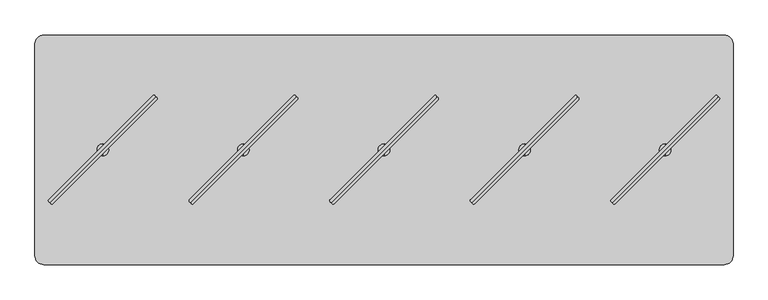
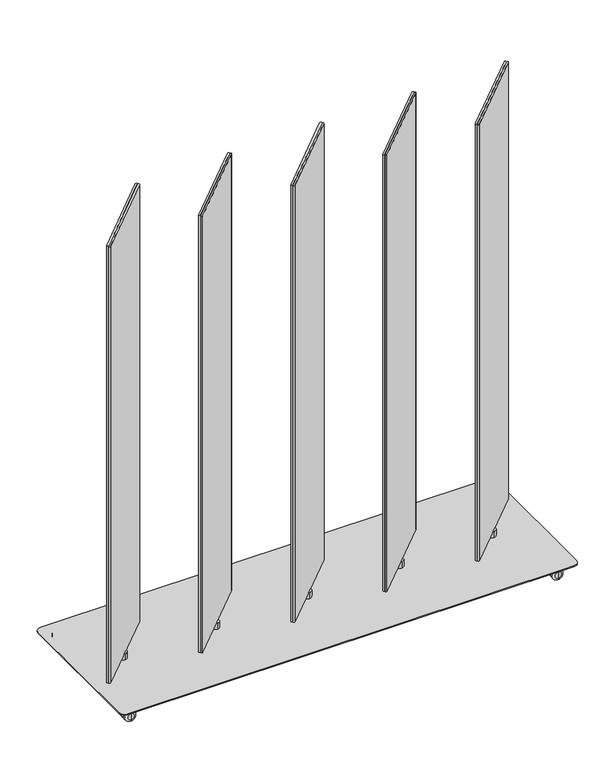
"""IFC4 building model written with IfcOpenShell, lengths in millimetres: furniture geometry."""

from ifc_helpers import new_model, si_unit, point, frame, frame_2d, origin, place, context, project, spatial, polyline, circle_curve, ellipse_curve, trimmed, segment, composite_curve, outline, extrude, source, transform, mapped, element, save
from ifc_brep_helpers import plane_surface, cylinder_surface, revolved_surface, advanced_brep


def furniture_4d3f92b0(model_context):
    return source(origin(), model_context, "Body", "SolidModel", [
        extrude(outline(composite_curve([segment(trimmed(circle_curve(frame_2d((486.9461154, -180.9165485)), 3.0144975), [point((489.0781344, -183.0476726))], [point((484.81456, -178.7849606))], False, "CARTESIAN"), True, "CONTINUOUS"), segment(polyline([(484.81456, -178.7849606), (706.8263161, 43.2234083)]), True, "CONTINUOUS"), segment(trimmed(circle_curve(frame_2d((708.8820345, 41.0642596)), 2.9812584), [point((706.8263161, 43.2234083))], [point((711.0420147, 39.0094149))], False, "CARTESIAN"), True, "CONTINUOUS"), segment(polyline([(711.0420147, 39.0094149), (489.0781344, -183.0476726)]), True, "CONTINUOUS")], self_intersect=False)), frame((0.0, 0.0, 80.7339983), z_axis=(0.0, 0.0, 1.0), x_axis=(1.0, 0.0, 0.0)), (0.0, 0.0, 1.0), 1500.124),
        extrude(outline(composite_curve([segment(polyline([(489.0388267, -183.0083649), (711.0959142, 38.9555155)]), True, "CONTINUOUS"), segment(trimmed(circle_curve(frame_2d((713.1507589, 36.7955352)), 2.9812584), [point((711.0959142, 38.9555155))], [point((715.3099076, 34.7398168))], False, "CARTESIAN"), True, "CONTINUOUS"), segment(polyline([(715.3099076, 34.7398168), (493.3015387, -187.2719392)]), True, "CONTINUOUS"), segment(trimmed(circle_curve(frame_2d((491.1699508, -185.1403839)), 3.0144975), [point((493.3015387, -187.2719392))], [point((489.0388267, -183.0083649))], False, "CARTESIAN"), True, "CONTINUOUS")], self_intersect=False)), frame((0.0, 0.0, 80.7339983), z_axis=(0.0, 0.0, 1.0), x_axis=(1.0, 0.0, 0.0)), (0.0, 0.0, 1.0), 1500.124),
        advanced_brep(
        [(599.9988, -84.5709522, 80.7339983), (599.9988, -59.5748171, 80.7339983), (599.9988, -59.5748171, 59.9975986), (599.9988, -84.5709522, 59.9975986), (599.9988, -72.0728847, 80.7339983), (599.9988, -72.0728847, 59.9975986)],
        [
            (0, 1, circle_curve(frame((599.9988, -72.0728847, 80.7339983), z_axis=(0.0, 0.0, -1.0), x_axis=(0.0, 1.0, 0.0)), 12.4980675)),
            (1, 2),
            (2, 3, circle_curve(frame((599.9988, -72.0728847, 59.9975986), z_axis=(0.0, 0.0, 1.0), x_axis=(0.0, 1.0, 0.0)), 12.4980675)),
            (3, 0),
            (4, 1),
            (0, 4),
            (0, 1, circle_curve(frame((599.9988, -72.0728847, 80.7339983), z_axis=(0.0, 0.0, 1.0), x_axis=(0.0, 1.0, 0.0)), 12.4980675)),
            (2, 5),
            (5, 3),
            (2, 3, circle_curve(frame((599.9988, -72.0728847, 59.9975986), z_axis=(0.0, 0.0, -1.0), x_axis=(0.0, 1.0, 0.0)), 12.4980675)),
        ],
        [
            cylinder_surface(frame((599.9988, -72.0728847, 88.2747758), z_axis=(0.0, 0.0, 1.0), x_axis=(0.0, 1.0, 0.0)), 12.4980675),
            plane_surface(frame((599.9988, -72.0728847, 80.7339983), z_axis=(0.0, 0.0, 1.0), x_axis=(0.0, 1.0, 0.0))),
            plane_surface(frame((599.9988, -72.0728847, 59.9975986), z_axis=(0.0, 0.0, -1.0), x_axis=(0.0, 1.0, 0.0))),
        ],
        [
            (0, [[1, 2, 3, 4]]),
            (1, [[5, -1, 6]]),
            (1, [[-6, 7, -5]]),
            (2, [[-3, 8, 9]]),
            (2, [[10, -9, -8]]),
            (0, [[-7, -4, -10, -2]]),
        ],
    ),
        extrude(outline(composite_curve([segment(trimmed(circle_curve(frame_2d((186.9467154, -180.9165485)), 3.0144975), [point((189.0787344, -183.0476726))], [point((184.81516, -178.7849606))], False, "CARTESIAN"), True, "CONTINUOUS"), segment(polyline([(184.81516, -178.7849606), (406.8269161, 43.2234083)]), True, "CONTINUOUS"), segment(trimmed(circle_curve(frame_2d((408.8826345, 41.0642596)), 2.9812584), [point((406.8269161, 43.2234083))], [point((411.0426147, 39.0094149))], False, "CARTESIAN"), True, "CONTINUOUS"), segment(polyline([(411.0426147, 39.0094149), (189.0787344, -183.0476726)]), True, "CONTINUOUS")], self_intersect=False)), frame((0.0, 0.0, 80.7339983), z_axis=(0.0, 0.0, 1.0), x_axis=(1.0, 0.0, 0.0)), (0.0, 0.0, 1.0), 1500.124),
        extrude(outline(composite_curve([segment(polyline([(189.0394267, -183.0083649), (411.0965142, 38.9555155)]), True, "CONTINUOUS"), segment(trimmed(circle_curve(frame_2d((413.1513589, 36.7955352)), 2.9812584), [point((411.0965142, 38.9555155))], [point((415.3105076, 34.7398168))], False, "CARTESIAN"), True, "CONTINUOUS"), segment(polyline([(415.3105076, 34.7398168), (193.3021387, -187.2719392)]), True, "CONTINUOUS"), segment(trimmed(circle_curve(frame_2d((191.1705508, -185.1403839)), 3.0144975), [point((193.3021387, -187.2719392))], [point((189.0394267, -183.0083649))], False, "CARTESIAN"), True, "CONTINUOUS")], self_intersect=False)), frame((0.0, 0.0, 80.7339983), z_axis=(0.0, 0.0, 1.0), x_axis=(1.0, 0.0, 0.0)), (0.0, 0.0, 1.0), 1500.124),
        advanced_brep(
        [(299.9994, -84.5709522, 80.7339983), (299.9994, -59.5748171, 80.7339983), (299.9994, -59.5748171, 59.9975986), (299.9994, -84.5709522, 59.9975986), (299.9994, -72.0728847, 80.7339983), (299.9994, -72.0728847, 59.9975986)],
        [
            (0, 1, circle_curve(frame((299.9994, -72.0728847, 80.7339983), z_axis=(0.0, 0.0, -1.0), x_axis=(0.0, 1.0, 0.0)), 12.4980675)),
            (1, 2),
            (2, 3, circle_curve(frame((299.9994, -72.0728847, 59.9975986), z_axis=(0.0, 0.0, 1.0), x_axis=(0.0, 1.0, 0.0)), 12.4980675)),
            (3, 0),
            (4, 1),
            (0, 4),
            (0, 1, circle_curve(frame((299.9994, -72.0728847, 80.7339983), z_axis=(0.0, 0.0, 1.0), x_axis=(0.0, 1.0, 0.0)), 12.4980675)),
            (2, 5),
            (5, 3),
            (2, 3, circle_curve(frame((299.9994, -72.0728847, 59.9975986), z_axis=(0.0, 0.0, -1.0), x_axis=(0.0, 1.0, 0.0)), 12.4980675)),
        ],
        [
            cylinder_surface(frame((299.9994, -72.0728847, 88.2747758), z_axis=(0.0, 0.0, 1.0), x_axis=(0.0, 1.0, 0.0)), 12.4980675),
            plane_surface(frame((299.9994, -72.0728847, 80.7339983), z_axis=(0.0, 0.0, 1.0), x_axis=(0.0, 1.0, 0.0))),
            plane_surface(frame((299.9994, -72.0728847, 59.9975986), z_axis=(0.0, 0.0, -1.0), x_axis=(0.0, 1.0, 0.0))),
        ],
        [
            (0, [[1, 2, 3, 4]]),
            (1, [[5, -1, 6]]),
            (1, [[-6, 7, -5]]),
            (2, [[-3, 8, 9]]),
            (2, [[10, -9, -8]]),
            (0, [[-7, -4, -10, -2]]),
        ],
    ),
        extrude(outline(composite_curve([segment(trimmed(circle_curve(frame_2d((-113.0526846, -180.9165485)), 3.0144975), [point((-110.9206656, -183.0476726))], [point((-115.18424, -178.7849606))], False, "CARTESIAN"), True, "CONTINUOUS"), segment(polyline([(-115.18424, -178.7849606), (106.8275161, 43.2234083)]), True, "CONTINUOUS"), segment(trimmed(circle_curve(frame_2d((108.8832345, 41.0642596)), 2.9812584), [point((106.8275161, 43.2234083))], [point((111.0432147, 39.0094149))], False, "CARTESIAN"), True, "CONTINUOUS"), segment(polyline([(111.0432147, 39.0094149), (-110.9206656, -183.0476726)]), True, "CONTINUOUS")], self_intersect=False)), frame((0.0, 0.0, 80.7339983), z_axis=(0.0, 0.0, 1.0), x_axis=(1.0, 0.0, 0.0)), (0.0, 0.0, 1.0), 1500.124),
        extrude(outline(composite_curve([segment(polyline([(-110.9599733, -183.0083649), (111.0971142, 38.9555155)]), True, "CONTINUOUS"), segment(trimmed(circle_curve(frame_2d((113.1519589, 36.7955352)), 2.9812584), [point((111.0971142, 38.9555155))], [point((115.3111076, 34.7398168))], False, "CARTESIAN"), True, "CONTINUOUS"), segment(polyline([(115.3111076, 34.7398168), (-106.6972613, -187.2719392)]), True, "CONTINUOUS"), segment(trimmed(circle_curve(frame_2d((-108.8288492, -185.1403839)), 3.0144975), [point((-106.6972613, -187.2719392))], [point((-110.9599733, -183.0083649))], False, "CARTESIAN"), True, "CONTINUOUS")], self_intersect=False)), frame((0.0, 0.0, 80.7339983), z_axis=(0.0, 0.0, 1.0), x_axis=(1.0, 0.0, 0.0)), (0.0, 0.0, 1.0), 1500.124),
        advanced_brep(
        [(0.0, -84.5709522, 80.7339983), (0.0, -59.5748171, 80.7339983), (0.0, -59.5748171, 59.9975986), (0.0, -84.5709522, 59.9975986), (0.0, -72.0728847, 80.7339983), (0.0, -72.0728847, 59.9975986)],
        [
            (0, 1, circle_curve(frame((0.0, -72.0728847, 80.7339983), z_axis=(0.0, 0.0, -1.0), x_axis=(0.0, 1.0, 0.0)), 12.4980675)),
            (1, 2),
            (2, 3, circle_curve(frame((0.0, -72.0728847, 59.9975986), z_axis=(0.0, 0.0, 1.0), x_axis=(0.0, 1.0, 0.0)), 12.4980675)),
            (3, 0),
            (4, 1),
            (0, 4),
            (0, 1, circle_curve(frame((0.0, -72.0728847, 80.7339983), z_axis=(0.0, 0.0, 1.0), x_axis=(0.0, 1.0, 0.0)), 12.4980675)),
            (2, 5),
            (5, 3),
            (2, 3, circle_curve(frame((0.0, -72.0728847, 59.9975986), z_axis=(0.0, 0.0, -1.0), x_axis=(0.0, 1.0, 0.0)), 12.4980675)),
        ],
        [
            cylinder_surface(frame((0.0, -72.0728847, 88.2747758), z_axis=(0.0, 0.0, 1.0), x_axis=(0.0, 1.0, 0.0)), 12.4980675),
            plane_surface(frame((0.0, -72.0728847, 80.7339983), z_axis=(0.0, 0.0, 1.0), x_axis=(0.0, 1.0, 0.0))),
            plane_surface(frame((0.0, -72.0728847, 59.9975986), z_axis=(0.0, 0.0, -1.0), x_axis=(0.0, 1.0, 0.0))),
        ],
        [
            (0, [[1, 2, 3, 4]]),
            (1, [[5, -1, 6]]),
            (1, [[-6, 7, -5]]),
            (2, [[-3, 8, 9]]),
            (2, [[10, -9, -8]]),
            (0, [[-7, -4, -10, -2]]),
        ],
    ),
        extrude(outline(composite_curve([segment(trimmed(circle_curve(frame_2d((-413.0520846, -180.9165485)), 3.0144975), [point((-410.9200656, -183.0476726))], [point((-415.18364, -178.7849606))], False, "CARTESIAN"), True, "CONTINUOUS"), segment(polyline([(-415.18364, -178.7849606), (-193.1718839, 43.2234083)]), True, "CONTINUOUS"), segment(trimmed(circle_curve(frame_2d((-191.1161655, 41.0642596)), 2.9812584), [point((-193.1718839, 43.2234083))], [point((-188.9561853, 39.0094149))], False, "CARTESIAN"), True, "CONTINUOUS"), segment(polyline([(-188.9561853, 39.0094149), (-410.9200656, -183.0476726)]), True, "CONTINUOUS")], self_intersect=False)), frame((0.0, 0.0, 80.7339983), z_axis=(0.0, 0.0, 1.0), x_axis=(1.0, 0.0, 0.0)), (0.0, 0.0, 1.0), 1500.124),
        extrude(outline(composite_curve([segment(polyline([(-410.9593733, -183.0083649), (-188.9022858, 38.9555155)]), True, "CONTINUOUS"), segment(trimmed(circle_curve(frame_2d((-186.8474411, 36.7955352)), 2.9812584), [point((-188.9022858, 38.9555155))], [point((-184.6882924, 34.7398168))], False, "CARTESIAN"), True, "CONTINUOUS"), segment(polyline([(-184.6882924, 34.7398168), (-406.6966613, -187.2719392)]), True, "CONTINUOUS"), segment(trimmed(circle_curve(frame_2d((-408.8282492, -185.1403839)), 3.0144975), [point((-406.6966613, -187.2719392))], [point((-410.9593733, -183.0083649))], False, "CARTESIAN"), True, "CONTINUOUS")], self_intersect=False)), frame((0.0, 0.0, 80.7339983), z_axis=(0.0, 0.0, 1.0), x_axis=(1.0, 0.0, 0.0)), (0.0, 0.0, 1.0), 1500.124),
        advanced_brep(
        [(-299.9994, -84.5709522, 80.7339983), (-299.9994, -59.5748171, 80.7339983), (-299.9994, -59.5748171, 59.9975986), (-299.9994, -84.5709522, 59.9975986), (-299.9994, -72.0728847, 80.7339983), (-299.9994, -72.0728847, 59.9975986)],
        [
            (0, 1, circle_curve(frame((-299.9994, -72.0728847, 80.7339983), z_axis=(0.0, 0.0, -1.0), x_axis=(0.0, 1.0, 0.0)), 12.4980675)),
            (1, 2),
            (2, 3, circle_curve(frame((-299.9994, -72.0728847, 59.9975986), z_axis=(0.0, 0.0, 1.0), x_axis=(0.0, 1.0, 0.0)), 12.4980675)),
            (3, 0),
            (4, 1),
            (0, 4),
            (0, 1, circle_curve(frame((-299.9994, -72.0728847, 80.7339983), z_axis=(0.0, 0.0, 1.0), x_axis=(0.0, 1.0, 0.0)), 12.4980675)),
            (2, 5),
            (5, 3),
            (2, 3, circle_curve(frame((-299.9994, -72.0728847, 59.9975986), z_axis=(0.0, 0.0, -1.0), x_axis=(0.0, 1.0, 0.0)), 12.4980675)),
        ],
        [
            cylinder_surface(frame((-299.9994, -72.0728847, 88.2747758), z_axis=(0.0, 0.0, 1.0), x_axis=(0.0, 1.0, 0.0)), 12.4980675),
            plane_surface(frame((-299.9994, -72.0728847, 80.7339983), z_axis=(0.0, 0.0, 1.0), x_axis=(0.0, 1.0, 0.0))),
            plane_surface(frame((-299.9994, -72.0728847, 59.9975986), z_axis=(0.0, 0.0, -1.0), x_axis=(0.0, 1.0, 0.0))),
        ],
        [
            (0, [[1, 2, 3, 4]]),
            (1, [[5, -1, 6]]),
            (1, [[-6, 7, -5]]),
            (2, [[-3, 8, 9]]),
            (2, [[10, -9, -8]]),
            (0, [[-7, -4, -10, -2]]),
        ],
    ),
        extrude(outline(composite_curve([segment(trimmed(circle_curve(frame_2d((-713.0514846, -180.9165485)), 3.0144975), [point((-710.9194656, -183.0476726))], [point((-715.18304, -178.7849606))], False, "CARTESIAN"), True, "CONTINUOUS"), segment(polyline([(-715.18304, -178.7849606), (-493.1712839, 43.2234083)]), True, "CONTINUOUS"), segment(trimmed(circle_curve(frame_2d((-491.1155655, 41.0642596)), 2.9812584), [point((-493.1712839, 43.2234083))], [point((-488.9555853, 39.0094149))], False, "CARTESIAN"), True, "CONTINUOUS"), segment(polyline([(-488.9555853, 39.0094149), (-710.9194656, -183.0476726)]), True, "CONTINUOUS")], self_intersect=False)), frame((0.0, 0.0, 80.7339983), z_axis=(0.0, 0.0, 1.0), x_axis=(1.0, 0.0, 0.0)), (0.0, 0.0, 1.0), 1500.124),
        extrude(outline(composite_curve([segment(polyline([(-710.9587733, -183.0083649), (-488.9016858, 38.9555155)]), True, "CONTINUOUS"), segment(trimmed(circle_curve(frame_2d((-486.8468411, 36.7955352)), 2.9812584), [point((-488.9016858, 38.9555155))], [point((-484.6876924, 34.7398168))], False, "CARTESIAN"), True, "CONTINUOUS"), segment(polyline([(-484.6876924, 34.7398168), (-706.6960613, -187.2719392)]), True, "CONTINUOUS"), segment(trimmed(circle_curve(frame_2d((-708.8276492, -185.1403839)), 3.0144975), [point((-706.6960613, -187.2719392))], [point((-710.9587733, -183.0083649))], False, "CARTESIAN"), True, "CONTINUOUS")], self_intersect=False)), frame((0.0, 0.0, 80.7339983), z_axis=(0.0, 0.0, 1.0), x_axis=(1.0, 0.0, 0.0)), (0.0, 0.0, 1.0), 1500.124),
        advanced_brep(
        [(-599.9988, -84.5709522, 80.7339983), (-599.9988, -59.5748171, 80.7339983), (-599.9988, -59.5748171, 59.9975986), (-599.9988, -84.5709522, 59.9975986), (-599.9988, -72.0728847, 80.7339983), (-599.9988, -72.0728847, 59.9975986)],
        [
            (0, 1, circle_curve(frame((-599.9988, -72.0728847, 80.7339983), z_axis=(0.0, 0.0, -1.0), x_axis=(0.0, 1.0, 0.0)), 12.4980675)),
            (1, 2),
            (2, 3, circle_curve(frame((-599.9988, -72.0728847, 59.9975986), z_axis=(0.0, 0.0, 1.0), x_axis=(0.0, 1.0, 0.0)), 12.4980675)),
            (3, 0),
            (4, 1),
            (0, 4),
            (0, 1, circle_curve(frame((-599.9988, -72.0728847, 80.7339983), z_axis=(0.0, 0.0, 1.0), x_axis=(0.0, 1.0, 0.0)), 12.4980675)),
            (2, 5),
            (5, 3),
            (2, 3, circle_curve(frame((-599.9988, -72.0728847, 59.9975986), z_axis=(0.0, 0.0, -1.0), x_axis=(0.0, 1.0, 0.0)), 12.4980675)),
        ],
        [
            cylinder_surface(frame((-599.9988, -72.0728847, 88.2747758), z_axis=(0.0, 0.0, 1.0), x_axis=(0.0, 1.0, 0.0)), 12.4980675),
            plane_surface(frame((-599.9988, -72.0728847, 80.7339983), z_axis=(0.0, 0.0, 1.0), x_axis=(0.0, 1.0, 0.0))),
            plane_surface(frame((-599.9988, -72.0728847, 59.9975986), z_axis=(0.0, 0.0, -1.0), x_axis=(0.0, 1.0, 0.0))),
        ],
        [
            (0, [[1, 2, 3, 4]]),
            (1, [[5, -1, 6]]),
            (1, [[-6, 7, -5]]),
            (2, [[-3, 8, 9]]),
            (2, [[10, -9, -8]]),
            (0, [[-7, -4, -10, -2]]),
        ],
    ),
        advanced_brep(
        [(695.0057698, -263.8998204, 45.0000013), (695.0057698, -261.16856, 45.0000013), (695.0057698, -266.6310808, 45.0000013), (695.0057698, -266.6310808, 20.9698569), (695.0057698, -261.16856, 20.9698569), (695.0057698, -263.8998204, 20.9698569)],
        [
            (0, 1),
            (1, 2, circle_curve(frame((695.0057698, -263.8998204, 45.0000013), z_axis=(0.0, 0.0, 1.0), x_axis=(0.0, 1.0, 0.0)), 2.7312604)),
            (2, 0),
            (2, 1, circle_curve(frame((695.0057698, -263.8998204, 45.0000013), z_axis=(0.0, 0.0, 1.0), x_axis=(0.0, 1.0, 0.0)), 2.7312604)),
            (3, 4, circle_curve(frame((695.0057698, -263.8998204, 20.9698569), z_axis=(0.0, 0.0, -1.0), x_axis=(0.0, 1.0, 0.0)), 2.7312604)),
            (4, 5),
            (5, 3),
            (4, 3, circle_curve(frame((695.0057698, -263.8998204, 20.9698569), z_axis=(0.0, 0.0, -1.0), x_axis=(0.0, 1.0, 0.0)), 2.7312604)),
            (1, 4),
            (3, 2),
        ],
        [
            plane_surface(frame((695.0057698, -263.8998204, 45.0000013), z_axis=(0.0, 0.0, 1.0), x_axis=(0.0, 1.0, 0.0))),
            plane_surface(frame((695.0057698, -263.8998204, 20.9698569), z_axis=(0.0, 0.0, -1.0), x_axis=(0.0, 1.0, 0.0))),
            cylinder_surface(frame((695.0057698, -263.8998204, 53.5051757), z_axis=(0.0, 0.0, 1.0), x_axis=(0.0, 1.0, 0.0)), 2.7312604),
        ],
        [
            (0, [[1, 2, 3]]),
            (0, [[-3, 4, -1]]),
            (1, [[5, 6, 7]]),
            (1, [[8, -7, -6]]),
            (2, [[-2, 9, -5, 10]]),
            (2, [[-4, -10, -8, -9]]),
        ],
    ),
        advanced_brep(
        [(695.0057698, -244.8998219, 6.35), (695.0057698, -244.8998219, 29.650001), (695.0057698, -244.8998219, 18.0000005), (695.0057698, -251.2498219, 0.0), (695.0057698, -251.2498219, 36.000001), (695.0057698, -256.8998207, 0.0), (695.0057698, -256.8998207, 36.000001), (695.0057698, -256.8998207, 11.0000008), (695.0057698, -256.8998207, 25.0000002), (695.0057698, -270.8998246, 11.0000008), (695.0057698, -270.8998246, 25.0000002), (695.0057698, -270.8998246, 0.0), (695.0057698, -270.8998246, 36.000001), (695.0057698, -276.5498189, 0.0), (695.0057698, -276.5498189, 36.000001), (695.0057698, -282.8998189, 6.35), (695.0057698, -282.8998189, 29.650001), (695.0057698, -282.8998189, 18.0000005)],
        [
            (0, 1, circle_curve(frame((695.0057698, -244.8998219, 18.0000005), z_axis=(0.0, 1.0, 0.0), x_axis=(0.0, 0.0, 1.0)), 11.6500005)),
            (1, 2),
            (2, 0),
            (1, 0, circle_curve(frame((695.0057698, -244.8998219, 18.0000005), z_axis=(0.0, 1.0, 0.0), x_axis=(0.0, 0.0, 1.0)), 11.6500005)),
            (3, 4, circle_curve(frame((695.0057698, -251.2498219, 18.0000005), z_axis=(0.0, 1.0, 0.0), x_axis=(0.0, 0.0, 1.0)), 18.0000005)),
            (4, 1, circle_curve(frame((695.0057698, -251.2498219, 29.650001), z_axis=(-1.0, 0.0, 0.0), x_axis=(0.0, 1.0, 0.0)), 6.35)),
            (0, 3, circle_curve(frame((695.0057698, -251.2498219, 6.35), z_axis=(-1.0, 0.0, 0.0), x_axis=(0.0, 1.0, 0.0)), 6.35)),
            (4, 3, circle_curve(frame((695.0057698, -251.2498219, 18.0000005), z_axis=(0.0, 1.0, 0.0), x_axis=(0.0, 0.0, 1.0)), 18.0000005)),
            (5, 6, circle_curve(frame((695.0057698, -256.8998207, 18.0000005), z_axis=(0.0, 1.0, 0.0), x_axis=(0.0, 0.0, 1.0)), 18.0000005)),
            (6, 4),
            (3, 5),
            (6, 5, circle_curve(frame((695.0057698, -256.8998207, 18.0000005), z_axis=(0.0, 1.0, 0.0), x_axis=(0.0, 0.0, 1.0)), 18.0000005)),
            (7, 8, circle_curve(frame((695.0057698, -256.8998207, 18.0000005), z_axis=(0.0, 1.0, 0.0), x_axis=(0.0, 0.0, 1.0)), 6.9999997)),
            (8, 6),
            (5, 7),
            (8, 7, circle_curve(frame((695.0057698, -256.8998207, 18.0000005), z_axis=(0.0, 1.0, 0.0), x_axis=(0.0, 0.0, 1.0)), 6.9999997)),
            (9, 10, circle_curve(frame((695.0057698, -270.8998246, 18.0000005), z_axis=(0.0, 1.0, 0.0), x_axis=(0.0, 0.0, 1.0)), 6.9999997)),
            (10, 8),
            (7, 9),
            (10, 9, circle_curve(frame((695.0057698, -270.8998246, 18.0000005), z_axis=(0.0, 1.0, 0.0), x_axis=(0.0, 0.0, 1.0)), 6.9999997)),
            (11, 12, circle_curve(frame((695.0057698, -270.8998246, 18.0000005), z_axis=(0.0, 1.0, 0.0), x_axis=(0.0, 0.0, 1.0)), 18.0000005)),
            (12, 10),
            (9, 11),
            (12, 11, circle_curve(frame((695.0057698, -270.8998246, 18.0000005), z_axis=(0.0, 1.0, 0.0), x_axis=(0.0, 0.0, 1.0)), 18.0000005)),
            (13, 14, circle_curve(frame((695.0057698, -276.5498189, 18.0000005), z_axis=(0.0, 1.0, 0.0), x_axis=(0.0, 0.0, 1.0)), 18.0000005)),
            (14, 12),
            (11, 13),
            (14, 13, circle_curve(frame((695.0057698, -276.5498189, 18.0000005), z_axis=(0.0, 1.0, 0.0), x_axis=(0.0, 0.0, 1.0)), 18.0000005)),
            (15, 16, circle_curve(frame((695.0057698, -282.8998189, 18.0000005), z_axis=(0.0, 1.0, 0.0), x_axis=(0.0, 0.0, 1.0)), 11.6500005)),
            (16, 14, circle_curve(frame((695.0057698, -276.5498189, 29.650001), z_axis=(-1.0, 0.0, 0.0), x_axis=(0.0, 1.0, 0.0)), 6.35)),
            (13, 15, circle_curve(frame((695.0057698, -276.5498189, 6.35), z_axis=(-1.0, 0.0, 0.0), x_axis=(0.0, 1.0, 0.0)), 6.35)),
            (16, 15, circle_curve(frame((695.0057698, -282.8998189, 18.0000005), z_axis=(0.0, 1.0, 0.0), x_axis=(0.0, 0.0, 1.0)), 11.6500005)),
            (17, 16),
            (15, 17),
        ],
        [
            plane_surface(frame((695.0057698, -244.8998219, 18.0000005), z_axis=(0.0, 1.0, 0.0), x_axis=(0.0, 0.0, 1.0))),
            revolved_surface(trimmed(ellipse_curve(frame((695.0057698, -251.2498219, 29.650001), z_axis=(1.0, 0.0, 0.0), x_axis=(0.0, 1.0, 0.0)), 6.35, 6.35), [point((695.0057698, -244.8998219, 29.650001))], [point((695.0057698, -251.2498219, 36.000001))], True, "CARTESIAN"), (695.0057698, -320.9998189, 18.0000005), (0.0, -1.0, 0.0)),
            cylinder_surface(frame((695.0057698, -320.9998189, 18.0000005), z_axis=(0.0, -1.0, 0.0), x_axis=(0.0, 0.0, 1.0)), 18.0000005),
            plane_surface(frame((695.0057698, -256.8998207, 18.0000005), z_axis=(0.0, -1.0, 0.0), x_axis=(0.0, 0.0, 1.0))),
            cylinder_surface(frame((695.0057698, -320.9998189, 18.0000005), z_axis=(0.0, -1.0, 0.0), x_axis=(0.0, 0.0, 1.0)), 6.9999997),
            plane_surface(frame((695.0057698, -270.8998246, 18.0000005), z_axis=(0.0, 1.0, 0.0), x_axis=(0.0, 0.0, 1.0))),
            revolved_surface(trimmed(ellipse_curve(frame((695.0057698, -276.5498189, 29.650001), z_axis=(1.0, 0.0, 0.0), x_axis=(0.0, 1.0, 0.0)), 6.35, 6.35), [point((695.0057698, -276.5498189, 36.000001))], [point((695.0057698, -282.8998189, 29.650001))], True, "CARTESIAN"), (695.0057698, -320.9998189, 18.0000005), (0.0, -1.0, 0.0)),
            plane_surface(frame((695.0057698, -282.8998189, 18.0000005), z_axis=(0.0, -1.0, 0.0), x_axis=(0.0, 0.0, 1.0))),
        ],
        [
            (0, [[1, 2, 3]]),
            (0, [[4, -3, -2]]),
            (1, [[5, 6, -1, 7]]),
            (1, [[8, -7, -4, -6]]),
            (2, [[9, 10, -5, 11]]),
            (2, [[12, -11, -8, -10]]),
            (3, [[13, 14, -9, 15]]),
            (3, [[16, -15, -12, -14]]),
            (4, [[17, 18, -13, 19]]),
            (4, [[20, -19, -16, -18]]),
            (5, [[21, 22, -17, 23]]),
            (5, [[24, -23, -20, -22]]),
            (2, [[25, 26, -21, 27]]),
            (2, [[28, -27, -24, -26]]),
            (6, [[29, 30, -25, 31]]),
            (6, [[32, -31, -28, -30]]),
            (7, [[33, -29, 34]]),
            (7, [[-34, -32, -33]]),
        ],
    ),
        advanced_brep(
        [(695.0057698, 119.7540511, 45.0000013), (695.0057698, 122.4853115, 45.0000013), (695.0057698, 117.0227906, 45.0000013), (695.0057698, 117.0227906, 20.9698569), (695.0057698, 122.4853115, 20.9698569), (695.0057698, 119.7540511, 20.9698569)],
        [
            (0, 1),
            (1, 2, circle_curve(frame((695.0057698, 119.7540511, 45.0000013), z_axis=(0.0, 0.0, 1.0), x_axis=(0.0, 1.0, 0.0)), 2.7312604)),
            (2, 0),
            (2, 1, circle_curve(frame((695.0057698, 119.7540511, 45.0000013), z_axis=(0.0, 0.0, 1.0), x_axis=(0.0, 1.0, 0.0)), 2.7312604)),
            (3, 4, circle_curve(frame((695.0057698, 119.7540511, 20.9698569), z_axis=(0.0, 0.0, -1.0), x_axis=(0.0, 1.0, 0.0)), 2.7312604)),
            (4, 5),
            (5, 3),
            (4, 3, circle_curve(frame((695.0057698, 119.7540511, 20.9698569), z_axis=(0.0, 0.0, -1.0), x_axis=(0.0, 1.0, 0.0)), 2.7312604)),
            (1, 4),
            (3, 2),
        ],
        [
            plane_surface(frame((695.0057698, 119.7540511, 45.0000013), z_axis=(0.0, 0.0, 1.0), x_axis=(0.0, 1.0, 0.0))),
            plane_surface(frame((695.0057698, 119.7540511, 20.9698569), z_axis=(0.0, 0.0, -1.0), x_axis=(0.0, 1.0, 0.0))),
            cylinder_surface(frame((695.0057698, 119.7540511, 53.5051757), z_axis=(0.0, 0.0, 1.0), x_axis=(0.0, 1.0, 0.0)), 2.7312604),
        ],
        [
            (0, [[1, 2, 3]]),
            (0, [[-3, 4, -1]]),
            (1, [[5, 6, 7]]),
            (1, [[8, -7, -6]]),
            (2, [[-2, 9, -5, 10]]),
            (2, [[-4, -10, -8, -9]]),
        ],
    ),
        advanced_brep(
        [(695.0057698, 138.7540496, 6.35), (695.0057698, 138.7540496, 29.650001), (695.0057698, 138.7540496, 18.0000005), (695.0057698, 132.4040496, 0.0), (695.0057698, 132.4040496, 36.000001), (695.0057698, 126.7540507, 0.0), (695.0057698, 126.7540507, 36.000001), (695.0057698, 126.7540507, 11.0000008), (695.0057698, 126.7540507, 25.0000002), (695.0057698, 112.7540468, 11.0000008), (695.0057698, 112.7540468, 25.0000002), (695.0057698, 112.7540468, 0.0), (695.0057698, 112.7540468, 36.000001), (695.0057698, 107.1040525, 0.0), (695.0057698, 107.1040525, 36.000001), (695.0057698, 100.7540525, 6.35), (695.0057698, 100.7540525, 29.650001), (695.0057698, 100.7540525, 18.0000005)],
        [
            (0, 1, circle_curve(frame((695.0057698, 138.7540496, 18.0000005), z_axis=(0.0, 1.0, 0.0), x_axis=(0.0, 0.0, 1.0)), 11.6500005)),
            (1, 2),
            (2, 0),
            (1, 0, circle_curve(frame((695.0057698, 138.7540496, 18.0000005), z_axis=(0.0, 1.0, 0.0), x_axis=(0.0, 0.0, 1.0)), 11.6500005)),
            (3, 4, circle_curve(frame((695.0057698, 132.4040496, 18.0000005), z_axis=(0.0, 1.0, 0.0), x_axis=(0.0, 0.0, 1.0)), 18.0000005)),
            (4, 1, circle_curve(frame((695.0057698, 132.4040496, 29.650001), z_axis=(-1.0, 0.0, 0.0), x_axis=(0.0, 1.0, 0.0)), 6.35)),
            (0, 3, circle_curve(frame((695.0057698, 132.4040496, 6.35), z_axis=(-1.0, 0.0, 0.0), x_axis=(0.0, 1.0, 0.0)), 6.35)),
            (4, 3, circle_curve(frame((695.0057698, 132.4040496, 18.0000005), z_axis=(0.0, 1.0, 0.0), x_axis=(0.0, 0.0, 1.0)), 18.0000005)),
            (5, 6, circle_curve(frame((695.0057698, 126.7540507, 18.0000005), z_axis=(0.0, 1.0, 0.0), x_axis=(0.0, 0.0, 1.0)), 18.0000005)),
            (6, 4),
            (3, 5),
            (6, 5, circle_curve(frame((695.0057698, 126.7540507, 18.0000005), z_axis=(0.0, 1.0, 0.0), x_axis=(0.0, 0.0, 1.0)), 18.0000005)),
            (7, 8, circle_curve(frame((695.0057698, 126.7540507, 18.0000005), z_axis=(0.0, 1.0, 0.0), x_axis=(0.0, 0.0, 1.0)), 6.9999997)),
            (8, 6),
            (5, 7),
            (8, 7, circle_curve(frame((695.0057698, 126.7540507, 18.0000005), z_axis=(0.0, 1.0, 0.0), x_axis=(0.0, 0.0, 1.0)), 6.9999997)),
            (9, 10, circle_curve(frame((695.0057698, 112.7540468, 18.0000005), z_axis=(0.0, 1.0, 0.0), x_axis=(0.0, 0.0, 1.0)), 6.9999997)),
            (10, 8),
            (7, 9),
            (10, 9, circle_curve(frame((695.0057698, 112.7540468, 18.0000005), z_axis=(0.0, 1.0, 0.0), x_axis=(0.0, 0.0, 1.0)), 6.9999997)),
            (11, 12, circle_curve(frame((695.0057698, 112.7540468, 18.0000005), z_axis=(0.0, 1.0, 0.0), x_axis=(0.0, 0.0, 1.0)), 18.0000005)),
            (12, 10),
            (9, 11),
            (12, 11, circle_curve(frame((695.0057698, 112.7540468, 18.0000005), z_axis=(0.0, 1.0, 0.0), x_axis=(0.0, 0.0, 1.0)), 18.0000005)),
            (13, 14, circle_curve(frame((695.0057698, 107.1040525, 18.0000005), z_axis=(0.0, 1.0, 0.0), x_axis=(0.0, 0.0, 1.0)), 18.0000005)),
            (14, 12),
            (11, 13),
            (14, 13, circle_curve(frame((695.0057698, 107.1040525, 18.0000005), z_axis=(0.0, 1.0, 0.0), x_axis=(0.0, 0.0, 1.0)), 18.0000005)),
            (15, 16, circle_curve(frame((695.0057698, 100.7540525, 18.0000005), z_axis=(0.0, 1.0, 0.0), x_axis=(0.0, 0.0, 1.0)), 11.6500005)),
            (16, 14, circle_curve(frame((695.0057698, 107.1040525, 29.650001), z_axis=(-1.0, 0.0, 0.0), x_axis=(0.0, 1.0, 0.0)), 6.35)),
            (13, 15, circle_curve(frame((695.0057698, 107.1040525, 6.35), z_axis=(-1.0, 0.0, 0.0), x_axis=(0.0, 1.0, 0.0)), 6.35)),
            (16, 15, circle_curve(frame((695.0057698, 100.7540525, 18.0000005), z_axis=(0.0, 1.0, 0.0), x_axis=(0.0, 0.0, 1.0)), 11.6500005)),
            (17, 16),
            (15, 17),
        ],
        [
            plane_surface(frame((695.0057698, 138.7540496, 18.0000005), z_axis=(0.0, 1.0, 0.0), x_axis=(0.0, 0.0, 1.0))),
            revolved_surface(trimmed(ellipse_curve(frame((695.0057698, 132.4040496, 29.650001), z_axis=(1.0, 0.0, 0.0), x_axis=(0.0, 1.0, 0.0)), 6.35, 6.35), [point((695.0057698, 138.7540496, 29.650001))], [point((695.0057698, 132.4040496, 36.000001))], True, "CARTESIAN"), (695.0057698, 62.6540525, 18.0000005), (0.0, -1.0, 0.0)),
            cylinder_surface(frame((695.0057698, 62.6540525, 18.0000005), z_axis=(0.0, -1.0, 0.0), x_axis=(0.0, 0.0, 1.0)), 18.0000005),
            plane_surface(frame((695.0057698, 126.7540507, 18.0000005), z_axis=(0.0, -1.0, 0.0), x_axis=(0.0, 0.0, 1.0))),
            cylinder_surface(frame((695.0057698, 62.6540525, 18.0000005), z_axis=(0.0, -1.0, 0.0), x_axis=(0.0, 0.0, 1.0)), 6.9999997),
            plane_surface(frame((695.0057698, 112.7540468, 18.0000005), z_axis=(0.0, 1.0, 0.0), x_axis=(0.0, 0.0, 1.0))),
            revolved_surface(trimmed(ellipse_curve(frame((695.0057698, 107.1040525, 29.650001), z_axis=(1.0, 0.0, 0.0), x_axis=(0.0, 1.0, 0.0)), 6.35, 6.35), [point((695.0057698, 107.1040525, 36.000001))], [point((695.0057698, 100.7540525, 29.650001))], True, "CARTESIAN"), (695.0057698, 62.6540525, 18.0000005), (0.0, -1.0, 0.0)),
            plane_surface(frame((695.0057698, 100.7540525, 18.0000005), z_axis=(0.0, -1.0, 0.0), x_axis=(0.0, 0.0, 1.0))),
        ],
        [
            (0, [[1, 2, 3]]),
            (0, [[4, -3, -2]]),
            (1, [[5, 6, -1, 7]]),
            (1, [[8, -7, -4, -6]]),
            (2, [[9, 10, -5, 11]]),
            (2, [[12, -11, -8, -10]]),
            (3, [[13, 14, -9, 15]]),
            (3, [[16, -15, -12, -14]]),
            (4, [[17, 18, -13, 19]]),
            (4, [[20, -19, -16, -18]]),
            (5, [[21, 22, -17, 23]]),
            (5, [[24, -23, -20, -22]]),
            (2, [[25, 26, -21, 27]]),
            (2, [[28, -27, -24, -26]]),
            (6, [[29, 30, -25, 31]]),
            (6, [[32, -31, -28, -30]]),
            (7, [[33, -29, 34]]),
            (7, [[-34, -32, -33]]),
        ],
    ),
        advanced_brep(
        [(-695.0057698, 119.7540511, 45.0000013), (-695.0057698, 122.4853115, 45.0000013), (-695.0057698, 117.0227906, 45.0000013), (-695.0057698, 117.0227906, 20.9698569), (-695.0057698, 122.4853115, 20.9698569), (-695.0057698, 119.7540511, 20.9698569)],
        [
            (0, 1),
            (1, 2, circle_curve(frame((-695.0057698, 119.7540511, 45.0000013), z_axis=(0.0, 0.0, 1.0), x_axis=(0.0, 1.0, 0.0)), 2.7312604)),
            (2, 0),
            (2, 1, circle_curve(frame((-695.0057698, 119.7540511, 45.0000013), z_axis=(0.0, 0.0, 1.0), x_axis=(0.0, 1.0, 0.0)), 2.7312604)),
            (3, 4, circle_curve(frame((-695.0057698, 119.7540511, 20.9698569), z_axis=(0.0, 0.0, -1.0), x_axis=(0.0, 1.0, 0.0)), 2.7312604)),
            (4, 5),
            (5, 3),
            (4, 3, circle_curve(frame((-695.0057698, 119.7540511, 20.9698569), z_axis=(0.0, 0.0, -1.0), x_axis=(0.0, 1.0, 0.0)), 2.7312604)),
            (1, 4),
            (3, 2),
        ],
        [
            plane_surface(frame((-695.0057698, 119.7540511, 45.0000013), z_axis=(0.0, 0.0, 1.0), x_axis=(0.0, 1.0, 0.0))),
            plane_surface(frame((-695.0057698, 119.7540511, 20.9698569), z_axis=(0.0, 0.0, -1.0), x_axis=(0.0, 1.0, 0.0))),
            cylinder_surface(frame((-695.0057698, 119.7540511, 53.5051757), z_axis=(0.0, 0.0, 1.0), x_axis=(0.0, 1.0, 0.0)), 2.7312604),
        ],
        [
            (0, [[1, 2, 3]]),
            (0, [[-3, 4, -1]]),
            (1, [[5, 6, 7]]),
            (1, [[8, -7, -6]]),
            (2, [[-2, 9, -5, 10]]),
            (2, [[-4, -10, -8, -9]]),
        ],
    ),
        advanced_brep(
        [(-695.0057698, 138.7540496, 6.35), (-695.0057698, 138.7540496, 29.650001), (-695.0057698, 138.7540496, 18.0000005), (-695.0057698, 132.4040496, 0.0), (-695.0057698, 132.4040496, 36.000001), (-695.0057698, 126.7540507, 0.0), (-695.0057698, 126.7540507, 36.000001), (-695.0057698, 126.7540507, 11.0000008), (-695.0057698, 126.7540507, 25.0000002), (-695.0057698, 112.7540468, 11.0000008), (-695.0057698, 112.7540468, 25.0000002), (-695.0057698, 112.7540468, 0.0), (-695.0057698, 112.7540468, 36.000001), (-695.0057698, 107.1040525, 0.0), (-695.0057698, 107.1040525, 36.000001), (-695.0057698, 100.7540525, 6.35), (-695.0057698, 100.7540525, 29.650001), (-695.0057698, 100.7540525, 18.0000005)],
        [
            (0, 1, circle_curve(frame((-695.0057698, 138.7540496, 18.0000005), z_axis=(0.0, 1.0, 0.0), x_axis=(0.0, 0.0, 1.0)), 11.6500005)),
            (1, 2),
            (2, 0),
            (1, 0, circle_curve(frame((-695.0057698, 138.7540496, 18.0000005), z_axis=(0.0, 1.0, 0.0), x_axis=(0.0, 0.0, 1.0)), 11.6500005)),
            (3, 4, circle_curve(frame((-695.0057698, 132.4040496, 18.0000005), z_axis=(0.0, 1.0, 0.0), x_axis=(0.0, 0.0, 1.0)), 18.0000005)),
            (4, 1, circle_curve(frame((-695.0057698, 132.4040496, 29.650001), z_axis=(-1.0, 0.0, 0.0), x_axis=(0.0, 1.0, 0.0)), 6.35)),
            (0, 3, circle_curve(frame((-695.0057698, 132.4040496, 6.35), z_axis=(-1.0, 0.0, 0.0), x_axis=(0.0, 1.0, 0.0)), 6.35)),
            (4, 3, circle_curve(frame((-695.0057698, 132.4040496, 18.0000005), z_axis=(0.0, 1.0, 0.0), x_axis=(0.0, 0.0, 1.0)), 18.0000005)),
            (5, 6, circle_curve(frame((-695.0057698, 126.7540507, 18.0000005), z_axis=(0.0, 1.0, 0.0), x_axis=(0.0, 0.0, 1.0)), 18.0000005)),
            (6, 4),
            (3, 5),
            (6, 5, circle_curve(frame((-695.0057698, 126.7540507, 18.0000005), z_axis=(0.0, 1.0, 0.0), x_axis=(0.0, 0.0, 1.0)), 18.0000005)),
            (7, 8, circle_curve(frame((-695.0057698, 126.7540507, 18.0000005), z_axis=(0.0, 1.0, 0.0), x_axis=(0.0, 0.0, 1.0)), 6.9999997)),
            (8, 6),
            (5, 7),
            (8, 7, circle_curve(frame((-695.0057698, 126.7540507, 18.0000005), z_axis=(0.0, 1.0, 0.0), x_axis=(0.0, 0.0, 1.0)), 6.9999997)),
            (9, 10, circle_curve(frame((-695.0057698, 112.7540468, 18.0000005), z_axis=(0.0, 1.0, 0.0), x_axis=(0.0, 0.0, 1.0)), 6.9999997)),
            (10, 8),
            (7, 9),
            (10, 9, circle_curve(frame((-695.0057698, 112.7540468, 18.0000005), z_axis=(0.0, 1.0, 0.0), x_axis=(0.0, 0.0, 1.0)), 6.9999997)),
            (11, 12, circle_curve(frame((-695.0057698, 112.7540468, 18.0000005), z_axis=(0.0, 1.0, 0.0), x_axis=(0.0, 0.0, 1.0)), 18.0000005)),
            (12, 10),
            (9, 11),
            (12, 11, circle_curve(frame((-695.0057698, 112.7540468, 18.0000005), z_axis=(0.0, 1.0, 0.0), x_axis=(0.0, 0.0, 1.0)), 18.0000005)),
            (13, 14, circle_curve(frame((-695.0057698, 107.1040525, 18.0000005), z_axis=(0.0, 1.0, 0.0), x_axis=(0.0, 0.0, 1.0)), 18.0000005)),
            (14, 12),
            (11, 13),
            (14, 13, circle_curve(frame((-695.0057698, 107.1040525, 18.0000005), z_axis=(0.0, 1.0, 0.0), x_axis=(0.0, 0.0, 1.0)), 18.0000005)),
            (15, 16, circle_curve(frame((-695.0057698, 100.7540525, 18.0000005), z_axis=(0.0, 1.0, 0.0), x_axis=(0.0, 0.0, 1.0)), 11.6500005)),
            (16, 14, circle_curve(frame((-695.0057698, 107.1040525, 29.650001), z_axis=(-1.0, 0.0, 0.0), x_axis=(0.0, 1.0, 0.0)), 6.35)),
            (13, 15, circle_curve(frame((-695.0057698, 107.1040525, 6.35), z_axis=(-1.0, 0.0, 0.0), x_axis=(0.0, 1.0, 0.0)), 6.35)),
            (16, 15, circle_curve(frame((-695.0057698, 100.7540525, 18.0000005), z_axis=(0.0, 1.0, 0.0), x_axis=(0.0, 0.0, 1.0)), 11.6500005)),
            (17, 16),
            (15, 17),
        ],
        [
            plane_surface(frame((-695.0057698, 138.7540496, 18.0000005), z_axis=(0.0, 1.0, 0.0), x_axis=(0.0, 0.0, 1.0))),
            revolved_surface(trimmed(ellipse_curve(frame((-695.0057698, 132.4040496, 29.650001), z_axis=(1.0, 0.0, 0.0), x_axis=(0.0, 1.0, 0.0)), 6.35, 6.35), [point((-695.0057698, 138.7540496, 29.650001))], [point((-695.0057698, 132.4040496, 36.000001))], True, "CARTESIAN"), (-695.0057698, 62.6540525, 18.0000005), (0.0, -1.0, 0.0)),
            cylinder_surface(frame((-695.0057698, 62.6540525, 18.0000005), z_axis=(0.0, -1.0, 0.0), x_axis=(0.0, 0.0, 1.0)), 18.0000005),
            plane_surface(frame((-695.0057698, 126.7540507, 18.0000005), z_axis=(0.0, -1.0, 0.0), x_axis=(0.0, 0.0, 1.0))),
            cylinder_surface(frame((-695.0057698, 62.6540525, 18.0000005), z_axis=(0.0, -1.0, 0.0), x_axis=(0.0, 0.0, 1.0)), 6.9999997),
            plane_surface(frame((-695.0057698, 112.7540468, 18.0000005), z_axis=(0.0, 1.0, 0.0), x_axis=(0.0, 0.0, 1.0))),
            revolved_surface(trimmed(ellipse_curve(frame((-695.0057698, 107.1040525, 29.650001), z_axis=(1.0, 0.0, 0.0), x_axis=(0.0, 1.0, 0.0)), 6.35, 6.35), [point((-695.0057698, 107.1040525, 36.000001))], [point((-695.0057698, 100.7540525, 29.650001))], True, "CARTESIAN"), (-695.0057698, 62.6540525, 18.0000005), (0.0, -1.0, 0.0)),
            plane_surface(frame((-695.0057698, 100.7540525, 18.0000005), z_axis=(0.0, -1.0, 0.0), x_axis=(0.0, 0.0, 1.0))),
        ],
        [
            (0, [[1, 2, 3]]),
            (0, [[4, -3, -2]]),
            (1, [[5, 6, -1, 7]]),
            (1, [[8, -7, -4, -6]]),
            (2, [[9, 10, -5, 11]]),
            (2, [[12, -11, -8, -10]]),
            (3, [[13, 14, -9, 15]]),
            (3, [[16, -15, -12, -14]]),
            (4, [[17, 18, -13, 19]]),
            (4, [[20, -19, -16, -18]]),
            (5, [[21, 22, -17, 23]]),
            (5, [[24, -23, -20, -22]]),
            (2, [[25, 26, -21, 27]]),
            (2, [[28, -27, -24, -26]]),
            (6, [[29, 30, -25, 31]]),
            (6, [[32, -31, -28, -30]]),
            (7, [[33, -29, 34]]),
            (7, [[-34, -32, -33]]),
        ],
    ),
        advanced_brep(
        [(-695.0057698, -263.8998204, 45.0000013), (-695.0057698, -261.16856, 45.0000013), (-695.0057698, -266.6310808, 45.0000013), (-695.0057698, -266.6310808, 20.9698569), (-695.0057698, -261.16856, 20.9698569), (-695.0057698, -263.8998204, 20.9698569)],
        [
            (0, 1),
            (1, 2, circle_curve(frame((-695.0057698, -263.8998204, 45.0000013), z_axis=(0.0, 0.0, 1.0), x_axis=(0.0, 1.0, 0.0)), 2.7312604)),
            (2, 0),
            (2, 1, circle_curve(frame((-695.0057698, -263.8998204, 45.0000013), z_axis=(0.0, 0.0, 1.0), x_axis=(0.0, 1.0, 0.0)), 2.7312604)),
            (3, 4, circle_curve(frame((-695.0057698, -263.8998204, 20.9698569), z_axis=(0.0, 0.0, -1.0), x_axis=(0.0, 1.0, 0.0)), 2.7312604)),
            (4, 5),
            (5, 3),
            (4, 3, circle_curve(frame((-695.0057698, -263.8998204, 20.9698569), z_axis=(0.0, 0.0, -1.0), x_axis=(0.0, 1.0, 0.0)), 2.7312604)),
            (1, 4),
            (3, 2),
        ],
        [
            plane_surface(frame((-695.0057698, -263.8998204, 45.0000013), z_axis=(0.0, 0.0, 1.0), x_axis=(0.0, 1.0, 0.0))),
            plane_surface(frame((-695.0057698, -263.8998204, 20.9698569), z_axis=(0.0, 0.0, -1.0), x_axis=(0.0, 1.0, 0.0))),
            cylinder_surface(frame((-695.0057698, -263.8998204, 53.5051757), z_axis=(0.0, 0.0, 1.0), x_axis=(0.0, 1.0, 0.0)), 2.7312604),
        ],
        [
            (0, [[1, 2, 3]]),
            (0, [[-3, 4, -1]]),
            (1, [[5, 6, 7]]),
            (1, [[8, -7, -6]]),
            (2, [[-2, 9, -5, 10]]),
            (2, [[-4, -10, -8, -9]]),
        ],
    ),
        advanced_brep(
        [(-695.0057698, -244.8998219, 6.35), (-695.0057698, -244.8998219, 29.650001), (-695.0057698, -244.8998219, 18.0000005), (-695.0057698, -251.2498219, 0.0), (-695.0057698, -251.2498219, 36.000001), (-695.0057698, -256.8998207, 0.0), (-695.0057698, -256.8998207, 36.000001), (-695.0057698, -256.8998207, 11.0000008), (-695.0057698, -256.8998207, 25.0000002), (-695.0057698, -270.8998246, 11.0000008), (-695.0057698, -270.8998246, 25.0000002), (-695.0057698, -270.8998246, 0.0), (-695.0057698, -270.8998246, 36.000001), (-695.0057698, -276.5498189, 0.0), (-695.0057698, -276.5498189, 36.000001), (-695.0057698, -282.8998189, 6.35), (-695.0057698, -282.8998189, 29.650001), (-695.0057698, -282.8998189, 18.0000005)],
        [
            (0, 1, circle_curve(frame((-695.0057698, -244.8998219, 18.0000005), z_axis=(0.0, 1.0, 0.0), x_axis=(0.0, 0.0, 1.0)), 11.6500005)),
            (1, 2),
            (2, 0),
            (1, 0, circle_curve(frame((-695.0057698, -244.8998219, 18.0000005), z_axis=(0.0, 1.0, 0.0), x_axis=(0.0, 0.0, 1.0)), 11.6500005)),
            (3, 4, circle_curve(frame((-695.0057698, -251.2498219, 18.0000005), z_axis=(0.0, 1.0, 0.0), x_axis=(0.0, 0.0, 1.0)), 18.0000005)),
            (4, 1, circle_curve(frame((-695.0057698, -251.2498219, 29.650001), z_axis=(-1.0, 0.0, 0.0), x_axis=(0.0, 1.0, 0.0)), 6.35)),
            (0, 3, circle_curve(frame((-695.0057698, -251.2498219, 6.35), z_axis=(-1.0, 0.0, 0.0), x_axis=(0.0, 1.0, 0.0)), 6.35)),
            (4, 3, circle_curve(frame((-695.0057698, -251.2498219, 18.0000005), z_axis=(0.0, 1.0, 0.0), x_axis=(0.0, 0.0, 1.0)), 18.0000005)),
            (5, 6, circle_curve(frame((-695.0057698, -256.8998207, 18.0000005), z_axis=(0.0, 1.0, 0.0), x_axis=(0.0, 0.0, 1.0)), 18.0000005)),
            (6, 4),
            (3, 5),
            (6, 5, circle_curve(frame((-695.0057698, -256.8998207, 18.0000005), z_axis=(0.0, 1.0, 0.0), x_axis=(0.0, 0.0, 1.0)), 18.0000005)),
            (7, 8, circle_curve(frame((-695.0057698, -256.8998207, 18.0000005), z_axis=(0.0, 1.0, 0.0), x_axis=(0.0, 0.0, 1.0)), 6.9999997)),
            (8, 6),
            (5, 7),
            (8, 7, circle_curve(frame((-695.0057698, -256.8998207, 18.0000005), z_axis=(0.0, 1.0, 0.0), x_axis=(0.0, 0.0, 1.0)), 6.9999997)),
            (9, 10, circle_curve(frame((-695.0057698, -270.8998246, 18.0000005), z_axis=(0.0, 1.0, 0.0), x_axis=(0.0, 0.0, 1.0)), 6.9999997)),
            (10, 8),
            (7, 9),
            (10, 9, circle_curve(frame((-695.0057698, -270.8998246, 18.0000005), z_axis=(0.0, 1.0, 0.0), x_axis=(0.0, 0.0, 1.0)), 6.9999997)),
            (11, 12, circle_curve(frame((-695.0057698, -270.8998246, 18.0000005), z_axis=(0.0, 1.0, 0.0), x_axis=(0.0, 0.0, 1.0)), 18.0000005)),
            (12, 10),
            (9, 11),
            (12, 11, circle_curve(frame((-695.0057698, -270.8998246, 18.0000005), z_axis=(0.0, 1.0, 0.0), x_axis=(0.0, 0.0, 1.0)), 18.0000005)),
            (13, 14, circle_curve(frame((-695.0057698, -276.5498189, 18.0000005), z_axis=(0.0, 1.0, 0.0), x_axis=(0.0, 0.0, 1.0)), 18.0000005)),
            (14, 12),
            (11, 13),
            (14, 13, circle_curve(frame((-695.0057698, -276.5498189, 18.0000005), z_axis=(0.0, 1.0, 0.0), x_axis=(0.0, 0.0, 1.0)), 18.0000005)),
            (15, 16, circle_curve(frame((-695.0057698, -282.8998189, 18.0000005), z_axis=(0.0, 1.0, 0.0), x_axis=(0.0, 0.0, 1.0)), 11.6500005)),
            (16, 14, circle_curve(frame((-695.0057698, -276.5498189, 29.650001), z_axis=(-1.0, 0.0, 0.0), x_axis=(0.0, 1.0, 0.0)), 6.35)),
            (13, 15, circle_curve(frame((-695.0057698, -276.5498189, 6.35), z_axis=(-1.0, 0.0, 0.0), x_axis=(0.0, 1.0, 0.0)), 6.35)),
            (16, 15, circle_curve(frame((-695.0057698, -282.8998189, 18.0000005), z_axis=(0.0, 1.0, 0.0), x_axis=(0.0, 0.0, 1.0)), 11.6500005)),
            (17, 16),
            (15, 17),
        ],
        [
            plane_surface(frame((-695.0057698, -244.8998219, 18.0000005), z_axis=(0.0, 1.0, 0.0), x_axis=(0.0, 0.0, 1.0))),
            revolved_surface(trimmed(ellipse_curve(frame((-695.0057698, -251.2498219, 29.650001), z_axis=(1.0, 0.0, 0.0), x_axis=(0.0, 1.0, 0.0)), 6.35, 6.35), [point((-695.0057698, -244.8998219, 29.650001))], [point((-695.0057698, -251.2498219, 36.000001))], True, "CARTESIAN"), (-695.0057698, -320.9998189, 18.0000005), (0.0, -1.0, 0.0)),
            cylinder_surface(frame((-695.0057698, -320.9998189, 18.0000005), z_axis=(0.0, -1.0, 0.0), x_axis=(0.0, 0.0, 1.0)), 18.0000005),
            plane_surface(frame((-695.0057698, -256.8998207, 18.0000005), z_axis=(0.0, -1.0, 0.0), x_axis=(0.0, 0.0, 1.0))),
            cylinder_surface(frame((-695.0057698, -320.9998189, 18.0000005), z_axis=(0.0, -1.0, 0.0), x_axis=(0.0, 0.0, 1.0)), 6.9999997),
            plane_surface(frame((-695.0057698, -270.8998246, 18.0000005), z_axis=(0.0, 1.0, 0.0), x_axis=(0.0, 0.0, 1.0))),
            revolved_surface(trimmed(ellipse_curve(frame((-695.0057698, -276.5498189, 29.650001), z_axis=(1.0, 0.0, 0.0), x_axis=(0.0, 1.0, 0.0)), 6.35, 6.35), [point((-695.0057698, -276.5498189, 36.000001))], [point((-695.0057698, -282.8998189, 29.650001))], True, "CARTESIAN"), (-695.0057698, -320.9998189, 18.0000005), (0.0, -1.0, 0.0)),
            plane_surface(frame((-695.0057698, -282.8998189, 18.0000005), z_axis=(0.0, -1.0, 0.0), x_axis=(0.0, 0.0, 1.0))),
        ],
        [
            (0, [[1, 2, 3]]),
            (0, [[4, -3, -2]]),
            (1, [[5, 6, -1, 7]]),
            (1, [[8, -7, -4, -6]]),
            (2, [[9, 10, -5, 11]]),
            (2, [[12, -11, -8, -10]]),
            (3, [[13, 14, -9, 15]]),
            (3, [[16, -15, -12, -14]]),
            (4, [[17, 18, -13, 19]]),
            (4, [[20, -19, -16, -18]]),
            (5, [[21, 22, -17, 23]]),
            (5, [[24, -23, -20, -22]]),
            (2, [[25, 26, -21, 27]]),
            (2, [[28, -27, -24, -26]]),
            (6, [[29, 30, -25, 31]]),
            (6, [[32, -31, -28, -30]]),
            (7, [[33, -29, 34]]),
            (7, [[-34, -32, -33]]),
        ],
    ),
        extrude(outline(composite_curve([segment(polyline([(-695.7695, 142.9271143), (695.7695, 142.9271143)]), True, "CONTINUOUS"), segment(trimmed(circle_curve(frame_2d((695.7695, 123.8771143)), 19.05), [point((695.7695, 142.9271143))], [point((714.8195, 123.8771143))], False, "CARTESIAN"), True, "CONTINUOUS"), segment(polyline([(714.8195, 123.8771143), (714.8195, -268.0228972)]), True, "CONTINUOUS"), segment(trimmed(circle_curve(frame_2d((695.7695, -268.0228972)), 19.05), [point((714.8195, -268.0228972))], [point((695.7695, -287.0728972))], False, "CARTESIAN"), True, "CONTINUOUS"), segment(polyline([(695.7695, -287.0728972), (-695.7695, -287.0728972)]), True, "CONTINUOUS"), segment(trimmed(circle_curve(frame_2d((-695.7695, -268.0228972)), 19.05), [point((-695.7695, -287.0728972))], [point((-714.8195, -268.0228972))], False, "CARTESIAN"), True, "CONTINUOUS"), segment(polyline([(-714.8195, -268.0228972), (-714.8195, 123.8771143)]), True, "CONTINUOUS"), segment(trimmed(circle_curve(frame_2d((-695.7695, 123.8771143)), 19.05), [point((-714.8195, 123.8771143))], [point((-695.7695, 142.9271143))], False, "CARTESIAN"), True, "CONTINUOUS")], self_intersect=False)), frame((0.0, 0.0, 36.322), z_axis=(0.0, 0.0, 1.0), x_axis=(1.0, 0.0, 0.0)), (0.0, 0.0, 1.0), 20.6756),
        extrude(outline(composite_curve([segment(trimmed(circle_curve(frame_2d((725.932, 153.8601153)), 19.05), [point((725.932, 172.9101153))], [point((744.982, 153.8601153))], False, "CARTESIAN"), True, "CONTINUOUS"), segment(polyline([(744.982, 153.8601153), (744.982, -298.0058847)]), True, "CONTINUOUS"), segment(trimmed(circle_curve(frame_2d((725.932, -298.0058847)), 19.05), [point((744.982, -298.0058847))], [point((725.932, -317.0558847))], False, "CARTESIAN"), True, "CONTINUOUS"), segment(polyline([(725.932, -317.0558847), (-725.932, -317.0558847)]), True, "CONTINUOUS"), segment(trimmed(circle_curve(frame_2d((-725.932, -298.0058847)), 19.05), [point((-725.932, -317.0558847))], [point((-744.982, -298.0058847))], False, "CARTESIAN"), True, "CONTINUOUS"), segment(polyline([(-744.982, -298.0058847), (-744.982, 153.8601153)]), True, "CONTINUOUS"), segment(trimmed(circle_curve(frame_2d((-725.932, 153.8601153)), 19.05), [point((-744.982, 153.8601153))], [point((-725.932, 172.9101153))], False, "CARTESIAN"), True, "CONTINUOUS"), segment(polyline([(-725.932, 172.9101153), (725.932, 172.9101153)]), True, "CONTINUOUS")], self_intersect=False)), frame((0.0, 0.0, 56.9976), z_axis=(0.0, 0.0, 1.0), x_axis=(1.0, 0.0, 0.0)), (0.0, 0.0, 1.0), 2.9999986),
    ])


if __name__ == "__main__":
    model = new_model("IFC4")
    model_context = context("Model", 3, world=origin())
    ifc_project = project(units=[si_unit("LENGTHUNIT", "METRE", prefix="MILLI")], contexts=[model_context])
    site = spatial("IfcSite", under=ifc_project)
    building = spatial("IfcBuilding", under=site)
    placement = place(None, origin())
    furniture_shape = furniture_4d3f92b0(model_context)
    element("IfcFurniture", 1, at=placement, inside=building, context=model_context, shape_type="MappedRepresentation", body=[
        mapped(furniture_shape, transform((0.0, 0.0, 0.0), x_axis=(1.0, 0.0, 0.0), y_axis=(0.0, 1.0, 0.0), z_axis=(0.0, 0.0, 1.0))),
    ])
    save(model, "model.ifc")
